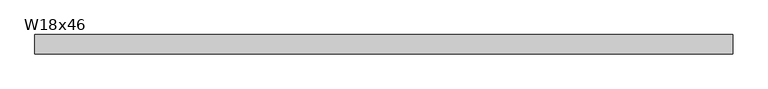
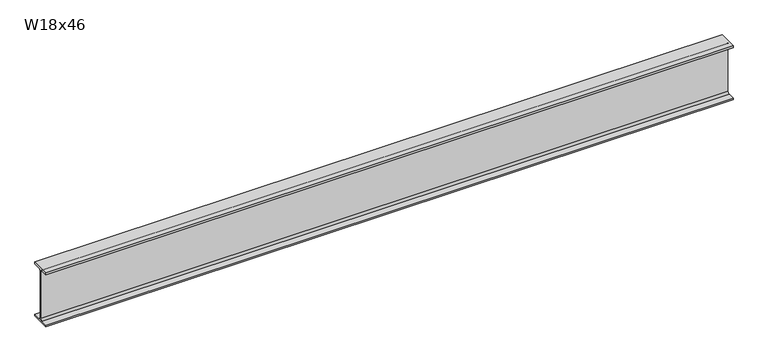
"""IFC4 building model written with IfcOpenShell, lengths in millimetres: beam geometry, W18x46."""

from ifc_helpers import new_model, si_unit, point, frame, frame_2d, origin, place, context, project, spatial, polyline, circle_curve, trimmed, segment, composite_curve, outline, extrude, source, transform, mapped, element, save


def w18x46_a730c787(model_context):
    return source(origin(), model_context, "Body", "SweptSolid", [
        extrude(outline(composite_curve([segment(polyline([(76.962, -214.503), (76.962, -229.87), (-76.962, -229.87), (-76.962, -214.503), (-20.955, -214.503)]), True, "CONTINUOUS"), segment(trimmed(circle_curve(frame_2d((-20.955, -198.12)), 16.383), [point((-20.955, -214.503))], [point((-4.572, -198.12))], True, "CARTESIAN"), True, "CONTINUOUS"), segment(polyline([(-4.572, -198.12), (-4.572, 198.12)]), True, "CONTINUOUS"), segment(trimmed(circle_curve(frame_2d((-20.955, 198.12)), 16.383), [point((-4.572, 198.12))], [point((-20.955, 214.503))], True, "CARTESIAN"), True, "CONTINUOUS"), segment(polyline([(-20.955, 214.503), (-76.962, 214.503), (-76.962, 229.87), (76.962, 229.87), (76.962, 214.503), (20.955, 214.503)]), True, "CONTINUOUS"), segment(trimmed(circle_curve(frame_2d((20.955, 198.12)), 16.383), [point((20.955, 214.503))], [point((4.572, 198.12))], True, "CARTESIAN"), True, "CONTINUOUS"), segment(polyline([(4.572, 198.12), (4.572, -198.12)]), True, "CONTINUOUS"), segment(trimmed(circle_curve(frame_2d((20.955, -198.12)), 16.383), [point((4.572, -198.12))], [point((20.955, -214.503))], True, "CARTESIAN"), True, "CONTINUOUS"), segment(polyline([(20.955, -214.503), (76.962, -214.503)]), True, "CONTINUOUS")], self_intersect=False)), frame((-2699.095073, 0.0, 0.0), z_axis=(1.0, 0.0, 0.0), x_axis=(0.0, 1.0, 0.0)), (0.0, 0.0, 1.0), 5529.6276176),
    ])


if __name__ == "__main__":
    model = new_model("IFC4")
    model_context = context("Model", 3, world=origin())
    ifc_project = project(units=[si_unit("LENGTHUNIT", "METRE", prefix="MILLI")], contexts=[model_context])
    site = spatial("IfcSite", under=ifc_project)
    building = spatial("IfcBuilding", under=site)
    placement = place(None, origin())
    w18x46_shape = w18x46_a730c787(model_context)
    element("IfcBeam", 1, ObjectType="W18x46", at=placement, inside=building, context=model_context, shape_type="MappedRepresentation", body=[
        mapped(w18x46_shape, transform((0.0, 0.0, 0.0), x_axis=(1.0, 0.0, 0.0), y_axis=(0.0, 1.0, 0.0), z_axis=(0.0, 0.0, 1.0))),
    ])
    save(model, "model.ifc")
